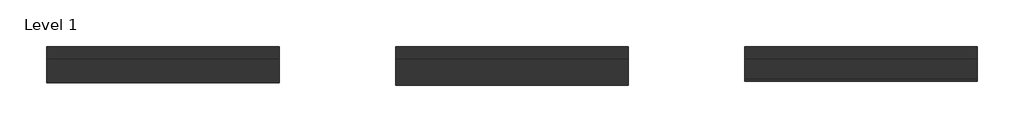
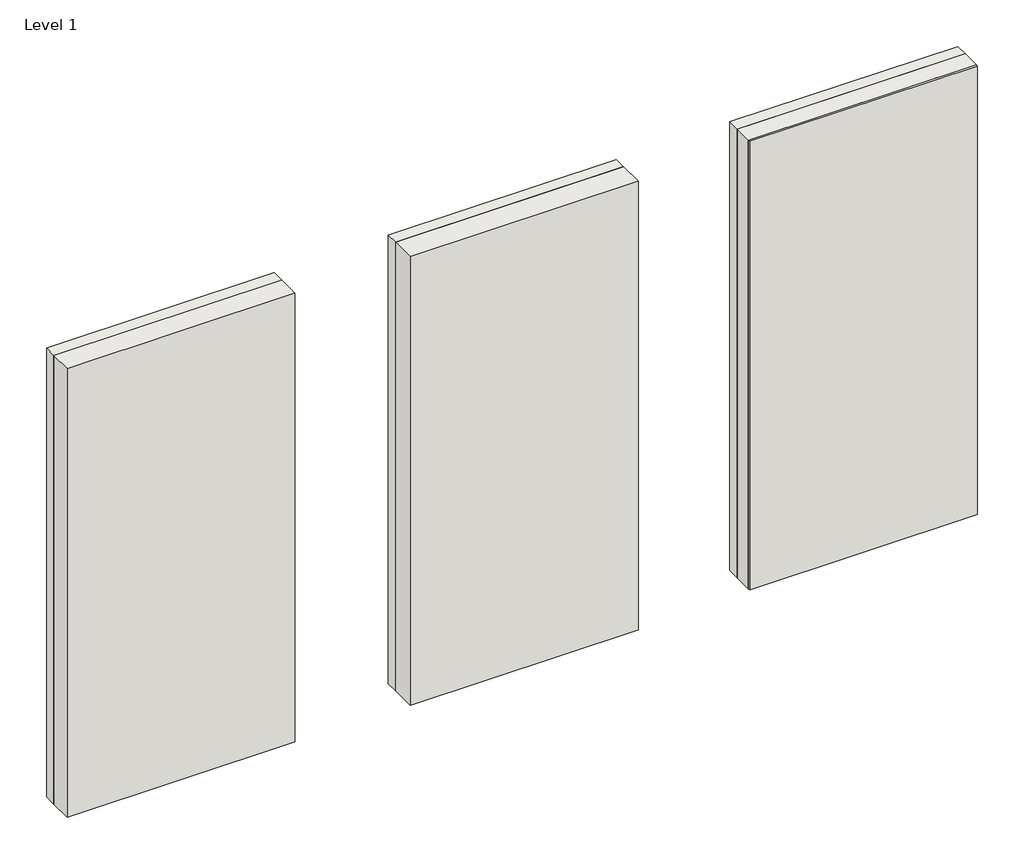
# One storey: 7 walls.
"""IFC4 building model written with IfcOpenShell, lengths in millimetres."""

import ifcopenshell
import ifcopenshell.guid

model = None  # the IFC model being written
_history = None  # IfcOwnerHistory: only IFC2X3 demands one
_inside = {}  # id of a spatial element -> (the spatial element, [elements in it])
_under = {}  # id of a project, library or spatial element -> (it, [spatial elements below it])
_declared = {}  # id of a project -> (the project, [libraries it declares])
_typed = {}  # id of a type object -> (the type object, [elements of that type])
_made_of = {}  # id of a material, layer set ... -> (it, [elements and type objects made of it])


def new_model(schema):
    """Start an empty IFC model of exactly this schema.

    Asked for "IFC4X3", IfcOpenShell would pick the latest addendum, in which some entities
    have other attributes; the version numbers below select the first issue.
    IFC2X3 requires an IfcOwnerHistory on every rooted entity: one is made here for all.
    """
    global model, _history
    if schema == "IFC4X3":
        model = ifcopenshell.file(schema_version=(4, 3, 0, 0))
    else:
        model = ifcopenshell.file(schema=schema)
    _inside.clear()
    _under.clear()
    _declared.clear()
    _typed.clear()
    _made_of.clear()
    _history = None
    if model.schema == "IFC2X3":
        org = make("IfcOrganization", Name="unknown")
        user = make(
            "IfcPersonAndOrganization",
            ThePerson=make("IfcPerson", FamilyName="unknown"),
            TheOrganization=org,
        )
        app = make(
            "IfcApplication",
            ApplicationDeveloper=org,
            Version="unknown",
            ApplicationFullName="unknown",
            ApplicationIdentifier="unknown",
        )
        _history = make(
            "IfcOwnerHistory",
            OwningUser=user,
            OwningApplication=app,
            ChangeAction="ADDED",
            CreationDate=0,
        )
    return model


def make(cls, **values):
    """One entity of the class cls with the attributes given. An attribute that is None is left unset."""
    return model.create_entity(
        cls, **{name: value for name, value in values.items() if value is not None}
    )


def rooted(cls, **values):
    """An entity with a GlobalId (a new one), such as an element, a storey or a relation."""
    return make(cls, GlobalId=ifcopenshell.guid.new(), OwnerHistory=_history, **values)


def si_unit(unit_type, name, prefix=None):
    """IfcSIUnit, for example si_unit("LENGTHUNIT", "METRE", prefix="MILLI")."""
    return make("IfcSIUnit", UnitType=unit_type, Prefix=prefix, Name=name)


def assignment(units):
    """IfcUnitAssignment: the units of a project."""
    return None if units is None else make("IfcUnitAssignment", Units=units)


def point(xyz):
    """IfcCartesianPoint."""
    return None if xyz is None else make("IfcCartesianPoint", Coordinates=xyz)


def direction(xyz):
    """IfcDirection."""
    return None if xyz is None else make("IfcDirection", DirectionRatios=xyz)


def frame(location, z_axis=None, x_axis=None):
    """IfcAxis2Placement3D, a coordinate frame: its origin and axes. An axis left out is left unset."""
    return make(
        "IfcAxis2Placement3D",
        Location=point(location),
        Axis=direction(z_axis),
        RefDirection=direction(x_axis),
    )


def origin():
    """The frame at (0, 0, 0) with its axes left unset."""
    return frame((0.0, 0.0, 0.0))


def origin_with_axes():
    """The frame at (0, 0, 0) with the z axis (0, 0, 1) and the x axis (1, 0, 0) written out."""
    return frame((0.0, 0.0, 0.0), z_axis=(0.0, 0.0, 1.0), x_axis=(1.0, 0.0, 0.0))


def place(relative_to, where):
    """IfcLocalPlacement: puts the frame where relative to a parent placement (None: the world)."""
    return make(
        "IfcLocalPlacement", PlacementRelTo=relative_to, RelativePlacement=where
    )


def context(
    kind, dimensions, precision=None, world=None, true_north=None, identifier=None
):
    """IfcGeometricRepresentationContext, for example the 3D "Model" context."""
    return make(
        "IfcGeometricRepresentationContext",
        ContextIdentifier=identifier,
        ContextType=kind,
        CoordinateSpaceDimension=dimensions,
        Precision=precision,
        WorldCoordinateSystem=world,
        TrueNorth=true_north,
    )


def project(units=None, contexts=None):
    """IfcProject with its units and contexts."""
    return rooted(
        "IfcProject",
        Name="project",
        RepresentationContexts=contexts,
        UnitsInContext=assignment(units),
    )


def spatial(cls, under=None, at=None, **own):
    """A site, building, storey or space (cls), placed at a placement, below another one or the project."""
    s = rooted(cls, ObjectPlacement=at, **own)
    if under is not None:
        _under.setdefault(under.id(), (under, []))[1].append(s)
    return s


def polyline(points):
    """IfcPolyline through the points."""
    return make("IfcPolyline", Points=[point(p) for p in points])


def outline(outer, holes=None, kind="AREA"):
    """IfcArbitraryClosedProfileDef: a profile drawn as a closed curve; with holes, ...WithVoids."""
    if holes is None:
        return make("IfcArbitraryClosedProfileDef", ProfileType=kind, OuterCurve=outer)
    return make(
        "IfcArbitraryProfileDefWithVoids",
        ProfileType=kind,
        OuterCurve=outer,
        InnerCurves=holes,
    )


def extrude(swept, where, along, depth):
    """IfcExtrudedAreaSolid: the profile swept, set in the frame where, extruded along a direction by depth."""
    return make(
        "IfcExtrudedAreaSolid",
        SweptArea=swept,
        Position=where,
        ExtrudedDirection=direction(along),
        Depth=depth,
    )


def shape(context_of_items, identifier, shape_type, items):
    """IfcShapeRepresentation: the items that make up one representation, for example the "Body"."""
    return make(
        "IfcShapeRepresentation",
        ContextOfItems=context_of_items,
        RepresentationIdentifier=identifier,
        RepresentationType=shape_type,
        Items=items,
    )


def made_of(thing, what):
    """Note that an element or type object is made of a material, layer set ...; save() writes the relation."""
    if what is not None:
        _made_of.setdefault(what.id(), (what, []))[1].append(thing)
    return thing


def element(
    cls,
    number,
    at=None,
    inside=None,
    cuts=None,
    type_object=None,
    material=None,
    context=None,
    identifier="Body",
    shape_type=None,
    held_by="IfcProductDefinitionShape",
    body=None,
    shapes=None,
    **own,
):
    """One element of the class cls, such as IfcWall. Its Tag is "e" and its number.

    at: its placement. inside: the storey or other place that contains it. cuts: it is an
    opening in that element (IfcRelVoidsElement). A single representation is given by context,
    identifier, shape_type and body (its items); several are given by shapes. held_by: the class
    of the entity that holds the representations. save() writes the other relations.
    """
    e = rooted(cls, Tag="e%d" % number, ObjectPlacement=at, **own)
    if body is not None:
        shapes = [shape(context, identifier, shape_type, body)]
    if shapes is not None:
        e.Representation = make(held_by, Representations=shapes)
    if inside is not None:
        _inside.setdefault(inside.id(), (inside, []))[1].append(e)
    if cuts is not None:
        rooted(
            "IfcRelVoidsElement", RelatingBuildingElement=cuts, RelatedOpeningElement=e
        )
    if type_object is not None:
        _typed.setdefault(type_object.id(), (type_object, []))[1].append(e)
    return made_of(e, material)


def aggregate(whole, parts):
    """IfcRelAggregates: a whole, such as a stair, and the parts it consists of."""
    return rooted("IfcRelAggregates", RelatingObject=whole, RelatedObjects=parts)


def save(model, path):
    """Write the relations noted so far, then the file.

    IfcRelAggregates (storeys below a building ...), IfcRelContainedInSpatialStructure (elements
    in a storey), IfcRelDefinesByType, IfcRelAssociatesMaterial and IfcRelDeclares: one each for
    every whole, place, type object, material and project.
    """
    for whole, parts in _under.values():
        aggregate(whole, parts)
    for where, things in _inside.values():
        rooted(
            "IfcRelContainedInSpatialStructure",
            RelatedElements=things,
            RelatingStructure=where,
        )
    for kind, things in _typed.values():
        rooted("IfcRelDefinesByType", RelatedObjects=things, RelatingType=kind)
    for what, things in _made_of.values():
        rooted("IfcRelAssociatesMaterial", RelatedObjects=things, RelatingMaterial=what)
    for by, libraries in _declared.values():
        rooted("IfcRelDeclares", RelatingContext=by, RelatedDefinitions=libraries)
    model.write(path)


model = new_model("IFC4")

# Units and contexts
model_context = context("Model", 3, world=origin())
ifc_project = project(units=[si_unit("LENGTHUNIT", "METRE", prefix="MILLI")], contexts=[model_context])

# Site, building, storey
site = spatial("IfcSite", under=ifc_project)
building = spatial("IfcBuilding", under=site)
storey = spatial("IfcBuildingStorey", under=building, Name="Level 1", Elevation=0.0)

# Walls
placement = place(None, origin())
element("IfcWall", 1, at=placement, inside=storey, context=model_context, shape_type="SweptSolid", body=[
    extrude(outline(polyline([(7315.2, -152.4), (5486.4, -152.4), (5486.4, 0.0), (7315.2, 0.0), (7315.2, -152.4)])), origin_with_axes(), (0.0, 0.0, 1.0), 3810.0),
])
element("IfcWall", 2, at=placement, inside=storey, context=model_context, shape_type="SweptSolid", body=[
    extrude(outline(polyline([(7315.2, -171.45), (5486.4, -171.45), (5486.4, -152.4), (7315.2, -152.4), (7315.2, -171.45)])), origin_with_axes(), (0.0, 0.0, 1.0), 3810.0),
])
element("IfcWall", 3, at=placement, inside=storey, context=model_context, shape_type="SweptSolid", body=[
    extrude(outline(polyline([(7315.2, 0.0), (5486.4, 0.0), (5486.4, 101.6), (7315.2, 101.6), (7315.2, 0.0)])), origin_with_axes(), (0.0, 0.0, 1.0), 3810.0),
])
element("IfcWall", 4, at=placement, inside=storey, context=model_context, shape_type="SweptSolid", body=[
    extrude(outline(polyline([(1828.8, -184.15), (0.0, -184.15), (0.0, 0.0), (1828.8, 0.0), (1828.8, -184.15)])), origin_with_axes(), (0.0, 0.0, 1.0), 3810.0),
])
element("IfcWall", 5, at=placement, inside=storey, context=model_context, shape_type="SweptSolid", body=[
    extrude(outline(polyline([(1828.8, 0.0), (0.0, 0.0), (0.0, 101.6), (1828.8, 101.6), (1828.8, 0.0)])), origin_with_axes(), (0.0, 0.0, 1.0), 3810.0),
])
element("IfcWall", 6, at=placement, inside=storey, context=model_context, shape_type="SweptSolid", body=[
    extrude(outline(polyline([(4572.0, -203.2), (2743.2, -203.2), (2743.2, 0.0), (4572.0, 0.0), (4572.0, -203.2)])), origin_with_axes(), (0.0, 0.0, 1.0), 3810.0),
])
element("IfcWall", 7, at=placement, inside=storey, context=model_context, shape_type="SweptSolid", body=[
    extrude(outline(polyline([(4572.0, 0.0), (2743.2, 0.0), (2743.2, 101.6), (4572.0, 101.6), (4572.0, 0.0)])), origin_with_axes(), (0.0, 0.0, 1.0), 3810.0),
])

save(model, "model.ifc")
